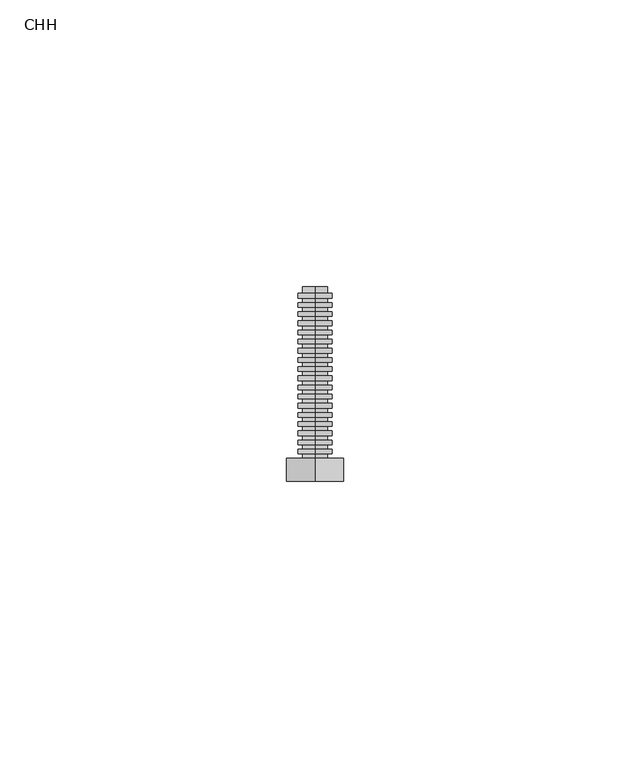
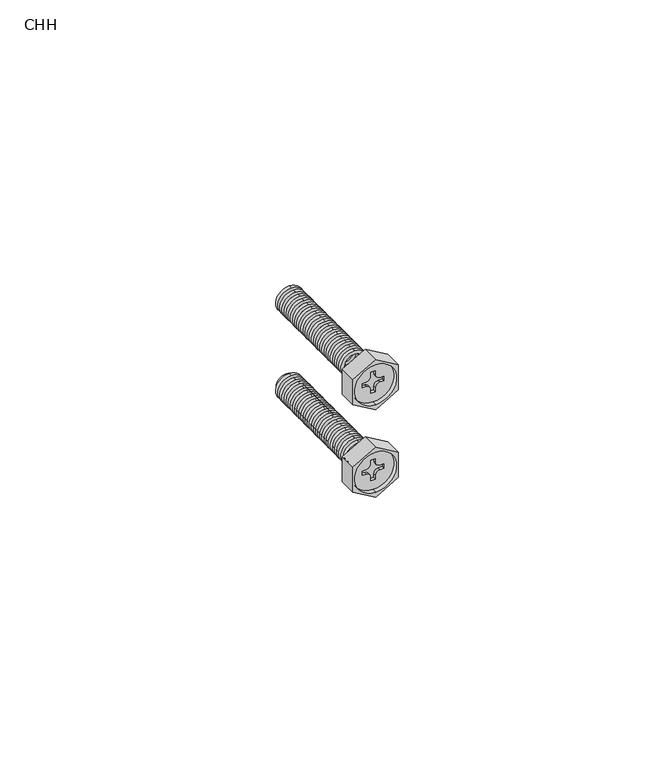
"""IFC4 building model written with IfcOpenShell, lengths in millimetres: proxy geometry, CHH."""

from ifc_helpers import new_model, si_unit, point, frame, frame_2d, origin, place, context, project, spatial, polyline, circle_curve, trimmed, segment, composite_curve, outline, extrude, source, transform, mapped, element, save
from ifc_brep_helpers import plane_surface, cylinder_surface, revolved_surface, advanced_brep


def chh_6e1695ec(model_context):
    return source(origin(), model_context, "Body", "SolidModel", [
        extrude(outline(composite_curve([segment(trimmed(circle_curve(frame_2d((10.0, -6.6758119)), 3.0), [point((13.0, -6.6758119))], [point((7.0, -6.6758119))], False, "CARTESIAN"), True, "CONTINUOUS"), segment(trimmed(circle_curve(frame_2d((10.0, -6.6758119)), 3.0), [point((7.0, -6.6758119))], [point((13.0, -6.6758119))], False, "CARTESIAN"), True, "CONTINUOUS")], self_intersect=False), holes=[composite_curve([segment(trimmed(circle_curve(frame_2d((10.0, -6.6758119)), 2.2), [point((12.2, -6.6758119))], [point((7.8, -6.6758119))], True, "CARTESIAN"), True, "CONTINUOUS"), segment(trimmed(circle_curve(frame_2d((10.0, -6.6758119)), 2.2), [point((7.8, -6.6758119))], [point((12.2, -6.6758119))], True, "CARTESIAN"), True, "CONTINUOUS")], self_intersect=False)]), frame((0.0, -7.7, 0.0), z_axis=(0.0, 1.0, 0.0), x_axis=(0.0, 0.0, 1.0)), (0.0, 0.0, 1.0), 0.8),
        extrude(outline(composite_curve([segment(trimmed(circle_curve(frame_2d((10.0, -6.6758119)), 3.0), [point((13.0, -6.6758119))], [point((7.0, -6.6758119))], False, "CARTESIAN"), True, "CONTINUOUS"), segment(trimmed(circle_curve(frame_2d((10.0, -6.6758119)), 3.0), [point((7.0, -6.6758119))], [point((13.0, -6.6758119))], False, "CARTESIAN"), True, "CONTINUOUS")], self_intersect=False), holes=[composite_curve([segment(trimmed(circle_curve(frame_2d((10.0, -6.6758119)), 2.2), [point((12.2, -6.6758119))], [point((7.8, -6.6758119))], True, "CARTESIAN"), True, "CONTINUOUS"), segment(trimmed(circle_curve(frame_2d((10.0, -6.6758119)), 2.2), [point((7.8, -6.6758119))], [point((12.2, -6.6758119))], True, "CARTESIAN"), True, "CONTINUOUS")], self_intersect=False)]), frame((0.0, -9.3, 0.0), z_axis=(0.0, 1.0, 0.0), x_axis=(0.0, 0.0, 1.0)), (0.0, 0.0, 1.0), 0.8),
        extrude(outline(composite_curve([segment(trimmed(circle_curve(frame_2d((10.0, -6.6758119)), 3.0), [point((13.0, -6.6758119))], [point((7.0, -6.6758119))], False, "CARTESIAN"), True, "CONTINUOUS"), segment(trimmed(circle_curve(frame_2d((10.0, -6.6758119)), 3.0), [point((7.0, -6.6758119))], [point((13.0, -6.6758119))], False, "CARTESIAN"), True, "CONTINUOUS")], self_intersect=False), holes=[composite_curve([segment(trimmed(circle_curve(frame_2d((10.0, -6.6758119)), 2.2), [point((12.2, -6.6758119))], [point((7.8, -6.6758119))], True, "CARTESIAN"), True, "CONTINUOUS"), segment(trimmed(circle_curve(frame_2d((10.0, -6.6758119)), 2.2), [point((7.8, -6.6758119))], [point((12.2, -6.6758119))], True, "CARTESIAN"), True, "CONTINUOUS")], self_intersect=False)]), frame((0.0, -10.9, 0.0), z_axis=(0.0, 1.0, 0.0), x_axis=(0.0, 0.0, 1.0)), (0.0, 0.0, 1.0), 0.8),
        extrude(outline(composite_curve([segment(trimmed(circle_curve(frame_2d((10.0, -6.6758119)), 3.0), [point((13.0, -6.6758119))], [point((7.0, -6.6758119))], False, "CARTESIAN"), True, "CONTINUOUS"), segment(trimmed(circle_curve(frame_2d((10.0, -6.6758119)), 3.0), [point((7.0, -6.6758119))], [point((13.0, -6.6758119))], False, "CARTESIAN"), True, "CONTINUOUS")], self_intersect=False), holes=[composite_curve([segment(trimmed(circle_curve(frame_2d((10.0, -6.6758119)), 2.2), [point((12.2, -6.6758119))], [point((7.8, -6.6758119))], True, "CARTESIAN"), True, "CONTINUOUS"), segment(trimmed(circle_curve(frame_2d((10.0, -6.6758119)), 2.2), [point((7.8, -6.6758119))], [point((12.2, -6.6758119))], True, "CARTESIAN"), True, "CONTINUOUS")], self_intersect=False)]), frame((0.0, -12.5, 0.0), z_axis=(0.0, 1.0, 0.0), x_axis=(0.0, 0.0, 1.0)), (0.0, 0.0, 1.0), 0.8),
        extrude(outline(composite_curve([segment(trimmed(circle_curve(frame_2d((10.0, -6.6758119)), 3.0), [point((13.0, -6.6758119))], [point((7.0, -6.6758119))], False, "CARTESIAN"), True, "CONTINUOUS"), segment(trimmed(circle_curve(frame_2d((10.0, -6.6758119)), 3.0), [point((7.0, -6.6758119))], [point((13.0, -6.6758119))], False, "CARTESIAN"), True, "CONTINUOUS")], self_intersect=False), holes=[composite_curve([segment(trimmed(circle_curve(frame_2d((10.0, -6.6758119)), 2.2), [point((12.2, -6.6758119))], [point((7.8, -6.6758119))], True, "CARTESIAN"), True, "CONTINUOUS"), segment(trimmed(circle_curve(frame_2d((10.0, -6.6758119)), 2.2), [point((7.8, -6.6758119))], [point((12.2, -6.6758119))], True, "CARTESIAN"), True, "CONTINUOUS")], self_intersect=False)]), frame((0.0, -14.1, 0.0), z_axis=(0.0, 1.0, 0.0), x_axis=(0.0, 0.0, 1.0)), (0.0, 0.0, 1.0), 0.8),
        extrude(outline(composite_curve([segment(trimmed(circle_curve(frame_2d((10.0, -6.6758119)), 3.0), [point((13.0, -6.6758119))], [point((7.0, -6.6758119))], False, "CARTESIAN"), True, "CONTINUOUS"), segment(trimmed(circle_curve(frame_2d((10.0, -6.6758119)), 3.0), [point((7.0, -6.6758119))], [point((13.0, -6.6758119))], False, "CARTESIAN"), True, "CONTINUOUS")], self_intersect=False), holes=[composite_curve([segment(trimmed(circle_curve(frame_2d((10.0, -6.6758119)), 2.2), [point((12.2, -6.6758119))], [point((7.8, -6.6758119))], True, "CARTESIAN"), True, "CONTINUOUS"), segment(trimmed(circle_curve(frame_2d((10.0, -6.6758119)), 2.2), [point((7.8, -6.6758119))], [point((12.2, -6.6758119))], True, "CARTESIAN"), True, "CONTINUOUS")], self_intersect=False)]), frame((0.0, -15.7, 0.0), z_axis=(0.0, 1.0, 0.0), x_axis=(0.0, 0.0, 1.0)), (0.0, 0.0, 1.0), 0.8),
        extrude(outline(composite_curve([segment(trimmed(circle_curve(frame_2d((10.0, -6.6758119)), 3.0), [point((13.0, -6.6758119))], [point((7.0, -6.6758119))], False, "CARTESIAN"), True, "CONTINUOUS"), segment(trimmed(circle_curve(frame_2d((10.0, -6.6758119)), 3.0), [point((7.0, -6.6758119))], [point((13.0, -6.6758119))], False, "CARTESIAN"), True, "CONTINUOUS")], self_intersect=False), holes=[composite_curve([segment(trimmed(circle_curve(frame_2d((10.0, -6.6758119)), 2.2), [point((12.2, -6.6758119))], [point((7.8, -6.6758119))], True, "CARTESIAN"), True, "CONTINUOUS"), segment(trimmed(circle_curve(frame_2d((10.0, -6.6758119)), 2.2), [point((7.8, -6.6758119))], [point((12.2, -6.6758119))], True, "CARTESIAN"), True, "CONTINUOUS")], self_intersect=False)]), frame((0.0, -17.3, 0.0), z_axis=(0.0, 1.0, 0.0), x_axis=(0.0, 0.0, 1.0)), (0.0, 0.0, 1.0), 0.8),
        extrude(outline(composite_curve([segment(trimmed(circle_curve(frame_2d((10.0, -6.6758119)), 3.0), [point((13.0, -6.6758119))], [point((7.0, -6.6758119))], False, "CARTESIAN"), True, "CONTINUOUS"), segment(trimmed(circle_curve(frame_2d((10.0, -6.6758119)), 3.0), [point((7.0, -6.6758119))], [point((13.0, -6.6758119))], False, "CARTESIAN"), True, "CONTINUOUS")], self_intersect=False), holes=[composite_curve([segment(trimmed(circle_curve(frame_2d((10.0, -6.6758119)), 2.2), [point((12.2, -6.6758119))], [point((7.8, -6.6758119))], True, "CARTESIAN"), True, "CONTINUOUS"), segment(trimmed(circle_curve(frame_2d((10.0, -6.6758119)), 2.2), [point((7.8, -6.6758119))], [point((12.2, -6.6758119))], True, "CARTESIAN"), True, "CONTINUOUS")], self_intersect=False)]), frame((0.0, -18.9, 0.0), z_axis=(0.0, 1.0, 0.0), x_axis=(0.0, 0.0, 1.0)), (0.0, 0.0, 1.0), 0.8),
        extrude(outline(composite_curve([segment(trimmed(circle_curve(frame_2d((10.0, -6.6758119)), 3.0), [point((13.0, -6.6758119))], [point((7.0, -6.6758119))], False, "CARTESIAN"), True, "CONTINUOUS"), segment(trimmed(circle_curve(frame_2d((10.0, -6.6758119)), 3.0), [point((7.0, -6.6758119))], [point((13.0, -6.6758119))], False, "CARTESIAN"), True, "CONTINUOUS")], self_intersect=False), holes=[composite_curve([segment(trimmed(circle_curve(frame_2d((10.0, -6.6758119)), 2.2), [point((12.2, -6.6758119))], [point((7.8, -6.6758119))], True, "CARTESIAN"), True, "CONTINUOUS"), segment(trimmed(circle_curve(frame_2d((10.0, -6.6758119)), 2.2), [point((7.8, -6.6758119))], [point((12.2, -6.6758119))], True, "CARTESIAN"), True, "CONTINUOUS")], self_intersect=False)]), frame((0.0, -20.5, 0.0), z_axis=(0.0, 1.0, 0.0), x_axis=(0.0, 0.0, 1.0)), (0.0, 0.0, 1.0), 0.8),
        extrude(outline(composite_curve([segment(trimmed(circle_curve(frame_2d((10.0, -6.6758119)), 3.0), [point((13.0, -6.6758119))], [point((7.0, -6.6758119))], False, "CARTESIAN"), True, "CONTINUOUS"), segment(trimmed(circle_curve(frame_2d((10.0, -6.6758119)), 3.0), [point((7.0, -6.6758119))], [point((13.0, -6.6758119))], False, "CARTESIAN"), True, "CONTINUOUS")], self_intersect=False), holes=[composite_curve([segment(trimmed(circle_curve(frame_2d((10.0, -6.6758119)), 2.2), [point((12.2, -6.6758119))], [point((7.8, -6.6758119))], True, "CARTESIAN"), True, "CONTINUOUS"), segment(trimmed(circle_curve(frame_2d((10.0, -6.6758119)), 2.2), [point((7.8, -6.6758119))], [point((12.2, -6.6758119))], True, "CARTESIAN"), True, "CONTINUOUS")], self_intersect=False)]), frame((0.0, -22.1, 0.0), z_axis=(0.0, 1.0, 0.0), x_axis=(0.0, 0.0, 1.0)), (0.0, 0.0, 1.0), 0.8),
        extrude(outline(composite_curve([segment(trimmed(circle_curve(frame_2d((10.0, -6.6758119)), 3.0), [point((13.0, -6.6758119))], [point((7.0, -6.6758119))], False, "CARTESIAN"), True, "CONTINUOUS"), segment(trimmed(circle_curve(frame_2d((10.0, -6.6758119)), 3.0), [point((7.0, -6.6758119))], [point((13.0, -6.6758119))], False, "CARTESIAN"), True, "CONTINUOUS")], self_intersect=False), holes=[composite_curve([segment(trimmed(circle_curve(frame_2d((10.0, -6.6758119)), 2.2), [point((12.2, -6.6758119))], [point((7.8, -6.6758119))], True, "CARTESIAN"), True, "CONTINUOUS"), segment(trimmed(circle_curve(frame_2d((10.0, -6.6758119)), 2.2), [point((7.8, -6.6758119))], [point((12.2, -6.6758119))], True, "CARTESIAN"), True, "CONTINUOUS")], self_intersect=False)]), frame((0.0, -23.7, 0.0), z_axis=(0.0, 1.0, 0.0), x_axis=(0.0, 0.0, 1.0)), (0.0, 0.0, 1.0), 0.8),
        extrude(outline(composite_curve([segment(trimmed(circle_curve(frame_2d((10.0, -6.6758119)), 3.0), [point((13.0, -6.6758119))], [point((7.0, -6.6758119))], False, "CARTESIAN"), True, "CONTINUOUS"), segment(trimmed(circle_curve(frame_2d((10.0, -6.6758119)), 3.0), [point((7.0, -6.6758119))], [point((13.0, -6.6758119))], False, "CARTESIAN"), True, "CONTINUOUS")], self_intersect=False), holes=[composite_curve([segment(trimmed(circle_curve(frame_2d((10.0, -6.6758119)), 2.2), [point((12.2, -6.6758119))], [point((7.8, -6.6758119))], True, "CARTESIAN"), True, "CONTINUOUS"), segment(trimmed(circle_curve(frame_2d((10.0, -6.6758119)), 2.2), [point((7.8, -6.6758119))], [point((12.2, -6.6758119))], True, "CARTESIAN"), True, "CONTINUOUS")], self_intersect=False)]), frame((0.0, -25.3, 0.0), z_axis=(0.0, 1.0, 0.0), x_axis=(0.0, 0.0, 1.0)), (0.0, 0.0, 1.0), 0.8),
        extrude(outline(composite_curve([segment(trimmed(circle_curve(frame_2d((10.0, -6.6758119)), 3.0), [point((13.0, -6.6758119))], [point((7.0, -6.6758119))], False, "CARTESIAN"), True, "CONTINUOUS"), segment(trimmed(circle_curve(frame_2d((10.0, -6.6758119)), 3.0), [point((7.0, -6.6758119))], [point((13.0, -6.6758119))], False, "CARTESIAN"), True, "CONTINUOUS")], self_intersect=False), holes=[composite_curve([segment(trimmed(circle_curve(frame_2d((10.0, -6.6758119)), 2.2), [point((12.2, -6.6758119))], [point((7.8, -6.6758119))], True, "CARTESIAN"), True, "CONTINUOUS"), segment(trimmed(circle_curve(frame_2d((10.0, -6.6758119)), 2.2), [point((7.8, -6.6758119))], [point((12.2, -6.6758119))], True, "CARTESIAN"), True, "CONTINUOUS")], self_intersect=False)]), frame((0.0, -26.9, 0.0), z_axis=(0.0, 1.0, 0.0), x_axis=(0.0, 0.0, 1.0)), (0.0, 0.0, 1.0), 0.8),
        advanced_brep(
        [(-6.6760471, -38.7, 14.6), (-6.6760471, -38.7, 5.4), (-6.1760471, -38.7, 11.5), (-5.1760471, -38.7, 10.5), (-4.2760471, -38.7, 10.5), (-4.2760471, -38.7, 9.5), (-5.1760471, -38.7, 9.5), (-6.1760471, -38.7, 8.5), (-6.1760471, -38.7, 7.6), (-7.1760471, -38.7, 7.6), (-7.1760471, -38.7, 8.5), (-8.1760471, -38.7, 9.5), (-9.0760471, -38.7, 9.5), (-9.0760471, -38.7, 10.5), (-8.1760471, -38.7, 10.5), (-7.1760471, -38.7, 11.5), (-7.1760471, -38.7, 12.4), (-6.1760471, -38.7, 12.4), (-6.6760471, -39.7, 14.6), (-6.6760471, -39.7, 5.4), (-6.6758119, -39.7, 15.7735027), (-11.6758119, -39.7, 12.8867513), (-11.6758119, -39.7, 7.1132487), (-6.6758119, -39.7, 4.2264973), (-1.6758119, -39.7, 7.1132487), (-1.6758119, -39.7, 12.8867513), (-6.6758119, -35.7, 15.7735027), (-1.6758119, -35.7, 12.8867513), (-1.6758119, -35.7, 7.1132487), (-6.6758119, -35.7, 4.2264973), (-11.6758119, -35.7, 7.1132487), (-11.6758119, -35.7, 12.8867513), (-5.1760471, -38.0, 10.5), (-6.1760471, -38.0, 11.5), (-6.1760471, -38.0, 12.4), (-7.1760471, -38.0, 12.4), (-7.1760471, -38.0, 11.5), (-8.1760471, -38.0, 10.5), (-9.0760471, -38.0, 10.5), (-9.0760471, -38.0, 9.5), (-8.1760471, -38.0, 9.5), (-7.1760471, -38.0, 8.5), (-7.1760471, -38.0, 7.6), (-6.1760471, -38.0, 7.6), (-6.1760471, -38.0, 8.5), (-5.1760471, -38.0, 9.5), (-4.2760471, -38.0, 9.5), (-4.2760471, -38.0, 10.5)],
        [
            (0, 1, circle_curve(frame((-6.6760471, -38.7, 10.0), z_axis=(0.0, -1.0, 0.0), x_axis=(0.0, 0.0, -1.0)), 4.6)),
            (1, 0, circle_curve(frame((-6.6760471, -38.7, 10.0), z_axis=(0.0, -1.0, 0.0), x_axis=(0.0, 0.0, -1.0)), 4.6)),
            (2, 3, circle_curve(frame((-5.1760471, -38.7, 11.5), z_axis=(0.0, -1.0, 0.0), x_axis=(0.0, 0.0, -1.0)), 1.0)),
            (3, 4),
            (4, 5),
            (5, 6),
            (6, 7, circle_curve(frame((-5.1760471, -38.7, 8.5), z_axis=(0.0, -1.0, 0.0), x_axis=(0.0, 0.0, -1.0)), 1.0)),
            (7, 8),
            (8, 9),
            (9, 10),
            (10, 11, circle_curve(frame((-8.1760471, -38.7, 8.5), z_axis=(0.0, -1.0, 0.0), x_axis=(0.0, 0.0, -1.0)), 1.0)),
            (11, 12),
            (12, 13),
            (13, 14),
            (14, 15, circle_curve(frame((-8.1760471, -38.7, 11.5), z_axis=(0.0, -1.0, 0.0), x_axis=(0.0, 0.0, -1.0)), 1.0)),
            (15, 16),
            (16, 17),
            (17, 2),
            (0, 18),
            (18, 19, circle_curve(frame((-6.6760471, -39.7, 10.0), z_axis=(0.0, -1.0, 0.0), x_axis=(0.0, 0.0, -1.0)), 4.6)),
            (19, 1),
            (19, 18, circle_curve(frame((-6.6760471, -39.7, 10.0), z_axis=(0.0, -1.0, 0.0), x_axis=(0.0, 0.0, -1.0)), 4.6)),
            (20, 21),
            (21, 22),
            (22, 23),
            (23, 24),
            (24, 25),
            (25, 20),
            (26, 27),
            (27, 28),
            (28, 29),
            (29, 30),
            (30, 31),
            (31, 26),
            (32, 33, circle_curve(frame((-5.1760471, -38.0, 11.5), z_axis=(0.0, 1.0, 0.0), x_axis=(0.0, 0.0, -1.0)), 1.0)),
            (33, 34),
            (34, 35),
            (35, 36),
            (36, 37, circle_curve(frame((-8.1760471, -38.0, 11.5), z_axis=(0.0, 1.0, 0.0), x_axis=(0.0, 0.0, -1.0)), 1.0)),
            (37, 38),
            (38, 39),
            (39, 40),
            (40, 41, circle_curve(frame((-8.1760471, -38.0, 8.5), z_axis=(0.0, 1.0, 0.0), x_axis=(0.0, 0.0, -1.0)), 1.0)),
            (41, 42),
            (42, 43),
            (43, 44),
            (44, 45, circle_curve(frame((-5.1760471, -38.0, 8.5), z_axis=(0.0, 1.0, 0.0), x_axis=(0.0, 0.0, -1.0)), 1.0)),
            (45, 46),
            (46, 47),
            (47, 32),
            (32, 3),
            (2, 33),
            (17, 34),
            (16, 35),
            (15, 36),
            (14, 37),
            (13, 38),
            (12, 39),
            (11, 40),
            (10, 41),
            (9, 42),
            (8, 43),
            (7, 44),
            (6, 45),
            (5, 46),
            (4, 47),
            (20, 26),
            (31, 21),
            (30, 22),
            (29, 23),
            (28, 24),
            (27, 25),
        ],
        [
            plane_surface(frame((-6.6760471, -38.7, 5.4), z_axis=(0.0, -1.0, 0.0), x_axis=(-1.0, 0.0, 0.0))),
            revolved_surface(polyline([(-6.6760471, -39.7, 5.4), (-6.6760471, -38.7, 5.4)]), (-6.6760471, -38.7, 10.0), (0.0, -1.0, 0.0)),
            plane_surface(frame((-6.6758119, -39.7, 15.7735027), z_axis=(0.0, -1.0, 0.0), x_axis=(-0.8660254037844402, 0.0, -0.4999999999999974))),
            plane_surface(frame((-6.6758119, -35.7, 15.7735027), z_axis=(0.0, 1.0, 0.0), x_axis=(0.8660254037844402, 0.0, 0.4999999999999974))),
            plane_surface(frame((-5.1760471, -38.0, 10.5), z_axis=(0.0, -1.0, 0.0), x_axis=(1.0, 0.0, 0.0))),
            cylinder_surface(frame((-5.1760471, -38.0, 11.5), z_axis=(0.0, 1.0, 0.0), x_axis=(0.0, 0.0, -1.0)), 1.0),
            plane_surface(frame((-6.1760471, -39.7, 11.5), z_axis=(-1.0, 0.0, 0.0), x_axis=(0.0, 1.0, 0.0))),
            plane_surface(frame((-6.1760471, -39.7, 12.4), z_axis=(0.0, 0.0, -1.0), x_axis=(0.0, 1.0, 0.0))),
            plane_surface(frame((-7.1760471, -39.7, 12.4), z_axis=(1.0, 0.0, 0.0), x_axis=(0.0, 1.0, 0.0))),
            cylinder_surface(frame((-8.1760471, -38.0, 11.5), z_axis=(0.0, 1.0, 0.0), x_axis=(0.0, 0.0, -1.0)), 1.0),
            plane_surface(frame((-8.1760471, -39.7, 10.5), z_axis=(0.0, 0.0, -1.0), x_axis=(0.0, 1.0, 0.0))),
            plane_surface(frame((-9.0760471, -39.7, 10.5), z_axis=(1.0, 0.0, 0.0), x_axis=(0.0, 1.0, 0.0))),
            plane_surface(frame((-9.0760471, -39.7, 9.5), z_axis=(0.0, 0.0, 1.0), x_axis=(0.0, 1.0, 0.0))),
            cylinder_surface(frame((-8.1760471, -38.0, 8.5), z_axis=(0.0, 1.0, 0.0), x_axis=(0.0, 0.0, -1.0)), 1.0),
            plane_surface(frame((-7.1760471, -39.7, 8.5), z_axis=(1.0, 0.0, 0.0), x_axis=(0.0, 1.0, 0.0))),
            plane_surface(frame((-7.1760471, -39.7, 7.6), z_axis=(0.0, 0.0, 1.0), x_axis=(0.0, 1.0, 0.0))),
            plane_surface(frame((-6.1760471, -39.7, 7.6), z_axis=(-1.0, 0.0, 0.0), x_axis=(0.0, 1.0, 0.0))),
            cylinder_surface(frame((-5.1760471, -38.0, 8.5), z_axis=(0.0, 1.0, 0.0), x_axis=(0.0, 0.0, -1.0)), 1.0),
            plane_surface(frame((-5.1760471, -39.7, 9.5), z_axis=(0.0, 0.0, 1.0), x_axis=(0.0, 1.0, 0.0))),
            plane_surface(frame((-4.2760471, -39.7, 9.5), z_axis=(-1.0, 0.0, 0.0), x_axis=(0.0, 1.0, 0.0))),
            plane_surface(frame((-4.2760471, -39.7, 10.5), z_axis=(0.0, 0.0, -1.0), x_axis=(0.0, 1.0, 0.0))),
            plane_surface(frame((-6.6758119, -39.7, 15.7735027), z_axis=(-0.4999999999999974, 0.0, 0.8660254037844402), x_axis=(0.0, 1.0, 0.0))),
            plane_surface(frame((-11.6758119, -39.7, 12.8867513), z_axis=(-1.0, 0.0, 0.0), x_axis=(0.0, 1.0, 0.0))),
            plane_surface(frame((-11.6758119, -39.7, 7.1132487), z_axis=(-0.5000000000000043, 0.0, -0.8660254037844363), x_axis=(0.0, 1.0, 0.0))),
            plane_surface(frame((-6.6758119, -39.7, 4.2264973), z_axis=(0.4999999999999948, 0.0, -0.8660254037844417), x_axis=(0.0, 1.0, 0.0))),
            plane_surface(frame((-1.6758119, -39.7, 7.1132487), z_axis=(1.0, 0.0, 0.0), x_axis=(0.0, 1.0, 0.0))),
            plane_surface(frame((-1.6758119, -39.7, 12.8867513), z_axis=(0.5000000000000017, 0.0, 0.8660254037844377), x_axis=(0.0, 1.0, 0.0))),
        ],
        [
            (0, [[1, 2], [3, 4, 5, 6, 7, 8, 9, 10, 11, 12, 13, 14, 15, 16, 17, 18]]),
            (1, [[-1, 19, 20, 21]]),
            (1, [[-2, -21, 22, -19]]),
            (2, [[23, 24, 25, 26, 27, 28], [-20, -22]]),
            (3, [[29, 30, 31, 32, 33, 34]]),
            (4, [[35, 36, 37, 38, 39, 40, 41, 42, 43, 44, 45, 46, 47, 48, 49, 50]]),
            (5, [[-35, 51, -3, 52]]),
            (6, [[-36, -52, -18, 53]]),
            (7, [[-37, -53, -17, 54]]),
            (8, [[-38, -54, -16, 55]]),
            (9, [[-39, -55, -15, 56]]),
            (10, [[-40, -56, -14, 57]]),
            (11, [[-41, -57, -13, 58]]),
            (12, [[-42, -58, -12, 59]]),
            (13, [[-43, -59, -11, 60]]),
            (14, [[-44, -60, -10, 61]]),
            (15, [[-45, -61, -9, 62]]),
            (16, [[-46, -62, -8, 63]]),
            (17, [[-47, -63, -7, 64]]),
            (18, [[-48, -64, -6, 65]]),
            (19, [[-49, -65, -5, 66]]),
            (20, [[-50, -66, -4, -51]]),
            (21, [[-23, 67, -34, 68]]),
            (22, [[-24, -68, -33, 69]]),
            (23, [[-25, -69, -32, 70]]),
            (24, [[-26, -70, -31, 71]]),
            (25, [[-27, -71, -30, 72]]),
            (26, [[-28, -72, -29, -67]]),
        ],
    ),
        extrude(outline(composite_curve([segment(trimmed(circle_curve(frame_2d((10.0, -6.6758119)), 3.0), [point((13.0, -6.6758119))], [point((7.0, -6.6758119))], False, "CARTESIAN"), True, "CONTINUOUS"), segment(trimmed(circle_curve(frame_2d((10.0, -6.6758119)), 3.0), [point((7.0, -6.6758119))], [point((13.0, -6.6758119))], False, "CARTESIAN"), True, "CONTINUOUS")], self_intersect=False), holes=[composite_curve([segment(trimmed(circle_curve(frame_2d((10.0, -6.6758119)), 2.2), [point((12.2, -6.6758119))], [point((7.8, -6.6758119))], True, "CARTESIAN"), True, "CONTINUOUS"), segment(trimmed(circle_curve(frame_2d((10.0, -6.6758119)), 2.2), [point((7.8, -6.6758119))], [point((12.2, -6.6758119))], True, "CARTESIAN"), True, "CONTINUOUS")], self_intersect=False)]), frame((0.0, -28.5, 0.0), z_axis=(0.0, 1.0, 0.0), x_axis=(0.0, 0.0, 1.0)), (0.0, 0.0, 1.0), 0.8),
        extrude(outline(composite_curve([segment(trimmed(circle_curve(frame_2d((10.0, -6.6758119)), 3.0), [point((13.0, -6.6758119))], [point((7.0, -6.6758119))], False, "CARTESIAN"), True, "CONTINUOUS"), segment(trimmed(circle_curve(frame_2d((10.0, -6.6758119)), 3.0), [point((7.0, -6.6758119))], [point((13.0, -6.6758119))], False, "CARTESIAN"), True, "CONTINUOUS")], self_intersect=False), holes=[composite_curve([segment(trimmed(circle_curve(frame_2d((10.0, -6.6758119)), 2.2), [point((12.2, -6.6758119))], [point((7.8, -6.6758119))], True, "CARTESIAN"), True, "CONTINUOUS"), segment(trimmed(circle_curve(frame_2d((10.0, -6.6758119)), 2.2), [point((7.8, -6.6758119))], [point((12.2, -6.6758119))], True, "CARTESIAN"), True, "CONTINUOUS")], self_intersect=False)]), frame((0.0, -30.1, 0.0), z_axis=(0.0, 1.0, 0.0), x_axis=(0.0, 0.0, 1.0)), (0.0, 0.0, 1.0), 0.8),
        extrude(outline(composite_curve([segment(trimmed(circle_curve(frame_2d((10.0, -6.6758119)), 3.0), [point((13.0, -6.6758119))], [point((7.0, -6.6758119))], False, "CARTESIAN"), True, "CONTINUOUS"), segment(trimmed(circle_curve(frame_2d((10.0, -6.6758119)), 3.0), [point((7.0, -6.6758119))], [point((13.0, -6.6758119))], False, "CARTESIAN"), True, "CONTINUOUS")], self_intersect=False), holes=[composite_curve([segment(trimmed(circle_curve(frame_2d((10.0, -6.6758119)), 2.2), [point((12.2, -6.6758119))], [point((7.8, -6.6758119))], True, "CARTESIAN"), True, "CONTINUOUS"), segment(trimmed(circle_curve(frame_2d((10.0, -6.6758119)), 2.2), [point((7.8, -6.6758119))], [point((12.2, -6.6758119))], True, "CARTESIAN"), True, "CONTINUOUS")], self_intersect=False)]), frame((0.0, -31.7, 0.0), z_axis=(0.0, 1.0, 0.0), x_axis=(0.0, 0.0, 1.0)), (0.0, 0.0, 1.0), 0.8),
        extrude(outline(composite_curve([segment(trimmed(circle_curve(frame_2d((10.0, -6.6758119)), 3.0), [point((13.0, -6.6758119))], [point((7.0, -6.6758119))], False, "CARTESIAN"), True, "CONTINUOUS"), segment(trimmed(circle_curve(frame_2d((10.0, -6.6758119)), 3.0), [point((7.0, -6.6758119))], [point((13.0, -6.6758119))], False, "CARTESIAN"), True, "CONTINUOUS")], self_intersect=False), holes=[composite_curve([segment(trimmed(circle_curve(frame_2d((10.0, -6.6758119)), 2.2), [point((12.2, -6.6758119))], [point((7.8, -6.6758119))], True, "CARTESIAN"), True, "CONTINUOUS"), segment(trimmed(circle_curve(frame_2d((10.0, -6.6758119)), 2.2), [point((7.8, -6.6758119))], [point((12.2, -6.6758119))], True, "CARTESIAN"), True, "CONTINUOUS")], self_intersect=False)]), frame((0.0, -33.3, 0.0), z_axis=(0.0, 1.0, 0.0), x_axis=(0.0, 0.0, 1.0)), (0.0, 0.0, 1.0), 0.8),
        extrude(outline(composite_curve([segment(trimmed(circle_curve(frame_2d((10.0, -6.6758119)), 3.0), [point((13.0, -6.6758119))], [point((7.0, -6.6758119))], False, "CARTESIAN"), True, "CONTINUOUS"), segment(trimmed(circle_curve(frame_2d((10.0, -6.6758119)), 3.0), [point((7.0, -6.6758119))], [point((13.0, -6.6758119))], False, "CARTESIAN"), True, "CONTINUOUS")], self_intersect=False), holes=[composite_curve([segment(trimmed(circle_curve(frame_2d((10.0, -6.6758119)), 2.2), [point((12.2, -6.6758119))], [point((7.8, -6.6758119))], True, "CARTESIAN"), True, "CONTINUOUS"), segment(trimmed(circle_curve(frame_2d((10.0, -6.6758119)), 2.2), [point((7.8, -6.6758119))], [point((12.2, -6.6758119))], True, "CARTESIAN"), True, "CONTINUOUS")], self_intersect=False)]), frame((0.0, -34.9, 0.0), z_axis=(0.0, 1.0, 0.0), x_axis=(0.0, 0.0, 1.0)), (0.0, 0.0, 1.0), 0.8),
        extrude(outline(composite_curve([segment(trimmed(circle_curve(frame_2d((10.0, -6.6758119)), 2.2), [point((12.2, -6.6758119))], [point((7.8, -6.6758119))], False, "CARTESIAN"), True, "CONTINUOUS"), segment(trimmed(circle_curve(frame_2d((10.0, -6.6758119)), 2.2), [point((7.8, -6.6758119))], [point((12.2, -6.6758119))], False, "CARTESIAN"), True, "CONTINUOUS")], self_intersect=False)), frame((0.0, -35.7, 0.0), z_axis=(0.0, 1.0, 0.0), x_axis=(0.0, 0.0, 1.0)), (0.0, 0.0, 1.0), 30.0),
        extrude(outline(composite_curve([segment(trimmed(circle_curve(frame_2d((30.3, -6.6758119)), 3.0), [point((33.3, -6.6758119))], [point((27.3, -6.6758119))], False, "CARTESIAN"), True, "CONTINUOUS"), segment(trimmed(circle_curve(frame_2d((30.3, -6.6758119)), 3.0), [point((27.3, -6.6758119))], [point((33.3, -6.6758119))], False, "CARTESIAN"), True, "CONTINUOUS")], self_intersect=False), holes=[composite_curve([segment(trimmed(circle_curve(frame_2d((30.3, -6.6758119)), 2.2), [point((32.5, -6.6758119))], [point((28.1, -6.6758119))], True, "CARTESIAN"), True, "CONTINUOUS"), segment(trimmed(circle_curve(frame_2d((30.3, -6.6758119)), 2.2), [point((28.1, -6.6758119))], [point((32.5, -6.6758119))], True, "CARTESIAN"), True, "CONTINUOUS")], self_intersect=False)]), frame((0.0, -7.7, 0.0), z_axis=(0.0, 1.0, 0.0), x_axis=(0.0, 0.0, 1.0)), (0.0, 0.0, 1.0), 0.8),
        extrude(outline(composite_curve([segment(trimmed(circle_curve(frame_2d((30.3, -6.6758119)), 3.0), [point((33.3, -6.6758119))], [point((27.3, -6.6758119))], False, "CARTESIAN"), True, "CONTINUOUS"), segment(trimmed(circle_curve(frame_2d((30.3, -6.6758119)), 3.0), [point((27.3, -6.6758119))], [point((33.3, -6.6758119))], False, "CARTESIAN"), True, "CONTINUOUS")], self_intersect=False), holes=[composite_curve([segment(trimmed(circle_curve(frame_2d((30.3, -6.6758119)), 2.2), [point((32.5, -6.6758119))], [point((28.1, -6.6758119))], True, "CARTESIAN"), True, "CONTINUOUS"), segment(trimmed(circle_curve(frame_2d((30.3, -6.6758119)), 2.2), [point((28.1, -6.6758119))], [point((32.5, -6.6758119))], True, "CARTESIAN"), True, "CONTINUOUS")], self_intersect=False)]), frame((0.0, -9.3, 0.0), z_axis=(0.0, 1.0, 0.0), x_axis=(0.0, 0.0, 1.0)), (0.0, 0.0, 1.0), 0.8),
        extrude(outline(composite_curve([segment(trimmed(circle_curve(frame_2d((30.3, -6.6758119)), 3.0), [point((33.3, -6.6758119))], [point((27.3, -6.6758119))], False, "CARTESIAN"), True, "CONTINUOUS"), segment(trimmed(circle_curve(frame_2d((30.3, -6.6758119)), 3.0), [point((27.3, -6.6758119))], [point((33.3, -6.6758119))], False, "CARTESIAN"), True, "CONTINUOUS")], self_intersect=False), holes=[composite_curve([segment(trimmed(circle_curve(frame_2d((30.3, -6.6758119)), 2.2), [point((32.5, -6.6758119))], [point((28.1, -6.6758119))], True, "CARTESIAN"), True, "CONTINUOUS"), segment(trimmed(circle_curve(frame_2d((30.3, -6.6758119)), 2.2), [point((28.1, -6.6758119))], [point((32.5, -6.6758119))], True, "CARTESIAN"), True, "CONTINUOUS")], self_intersect=False)]), frame((0.0, -10.9, 0.0), z_axis=(0.0, 1.0, 0.0), x_axis=(0.0, 0.0, 1.0)), (0.0, 0.0, 1.0), 0.8),
        extrude(outline(composite_curve([segment(trimmed(circle_curve(frame_2d((30.3, -6.6758119)), 3.0), [point((33.3, -6.6758119))], [point((27.3, -6.6758119))], False, "CARTESIAN"), True, "CONTINUOUS"), segment(trimmed(circle_curve(frame_2d((30.3, -6.6758119)), 3.0), [point((27.3, -6.6758119))], [point((33.3, -6.6758119))], False, "CARTESIAN"), True, "CONTINUOUS")], self_intersect=False), holes=[composite_curve([segment(trimmed(circle_curve(frame_2d((30.3, -6.6758119)), 2.2), [point((32.5, -6.6758119))], [point((28.1, -6.6758119))], True, "CARTESIAN"), True, "CONTINUOUS"), segment(trimmed(circle_curve(frame_2d((30.3, -6.6758119)), 2.2), [point((28.1, -6.6758119))], [point((32.5, -6.6758119))], True, "CARTESIAN"), True, "CONTINUOUS")], self_intersect=False)]), frame((0.0, -12.5, 0.0), z_axis=(0.0, 1.0, 0.0), x_axis=(0.0, 0.0, 1.0)), (0.0, 0.0, 1.0), 0.8),
        extrude(outline(composite_curve([segment(trimmed(circle_curve(frame_2d((30.3, -6.6758119)), 3.0), [point((33.3, -6.6758119))], [point((27.3, -6.6758119))], False, "CARTESIAN"), True, "CONTINUOUS"), segment(trimmed(circle_curve(frame_2d((30.3, -6.6758119)), 3.0), [point((27.3, -6.6758119))], [point((33.3, -6.6758119))], False, "CARTESIAN"), True, "CONTINUOUS")], self_intersect=False), holes=[composite_curve([segment(trimmed(circle_curve(frame_2d((30.3, -6.6758119)), 2.2), [point((32.5, -6.6758119))], [point((28.1, -6.6758119))], True, "CARTESIAN"), True, "CONTINUOUS"), segment(trimmed(circle_curve(frame_2d((30.3, -6.6758119)), 2.2), [point((28.1, -6.6758119))], [point((32.5, -6.6758119))], True, "CARTESIAN"), True, "CONTINUOUS")], self_intersect=False)]), frame((0.0, -14.1, 0.0), z_axis=(0.0, 1.0, 0.0), x_axis=(0.0, 0.0, 1.0)), (0.0, 0.0, 1.0), 0.8),
        extrude(outline(composite_curve([segment(trimmed(circle_curve(frame_2d((30.3, -6.6758119)), 3.0), [point((33.3, -6.6758119))], [point((27.3, -6.6758119))], False, "CARTESIAN"), True, "CONTINUOUS"), segment(trimmed(circle_curve(frame_2d((30.3, -6.6758119)), 3.0), [point((27.3, -6.6758119))], [point((33.3, -6.6758119))], False, "CARTESIAN"), True, "CONTINUOUS")], self_intersect=False), holes=[composite_curve([segment(trimmed(circle_curve(frame_2d((30.3, -6.6758119)), 2.2), [point((32.5, -6.6758119))], [point((28.1, -6.6758119))], True, "CARTESIAN"), True, "CONTINUOUS"), segment(trimmed(circle_curve(frame_2d((30.3, -6.6758119)), 2.2), [point((28.1, -6.6758119))], [point((32.5, -6.6758119))], True, "CARTESIAN"), True, "CONTINUOUS")], self_intersect=False)]), frame((0.0, -15.7, 0.0), z_axis=(0.0, 1.0, 0.0), x_axis=(0.0, 0.0, 1.0)), (0.0, 0.0, 1.0), 0.8),
        extrude(outline(composite_curve([segment(trimmed(circle_curve(frame_2d((30.3, -6.6758119)), 3.0), [point((33.3, -6.6758119))], [point((27.3, -6.6758119))], False, "CARTESIAN"), True, "CONTINUOUS"), segment(trimmed(circle_curve(frame_2d((30.3, -6.6758119)), 3.0), [point((27.3, -6.6758119))], [point((33.3, -6.6758119))], False, "CARTESIAN"), True, "CONTINUOUS")], self_intersect=False), holes=[composite_curve([segment(trimmed(circle_curve(frame_2d((30.3, -6.6758119)), 2.2), [point((32.5, -6.6758119))], [point((28.1, -6.6758119))], True, "CARTESIAN"), True, "CONTINUOUS"), segment(trimmed(circle_curve(frame_2d((30.3, -6.6758119)), 2.2), [point((28.1, -6.6758119))], [point((32.5, -6.6758119))], True, "CARTESIAN"), True, "CONTINUOUS")], self_intersect=False)]), frame((0.0, -17.3, 0.0), z_axis=(0.0, 1.0, 0.0), x_axis=(0.0, 0.0, 1.0)), (0.0, 0.0, 1.0), 0.8),
        extrude(outline(composite_curve([segment(trimmed(circle_curve(frame_2d((30.3, -6.6758119)), 3.0), [point((33.3, -6.6758119))], [point((27.3, -6.6758119))], False, "CARTESIAN"), True, "CONTINUOUS"), segment(trimmed(circle_curve(frame_2d((30.3, -6.6758119)), 3.0), [point((27.3, -6.6758119))], [point((33.3, -6.6758119))], False, "CARTESIAN"), True, "CONTINUOUS")], self_intersect=False), holes=[composite_curve([segment(trimmed(circle_curve(frame_2d((30.3, -6.6758119)), 2.2), [point((32.5, -6.6758119))], [point((28.1, -6.6758119))], True, "CARTESIAN"), True, "CONTINUOUS"), segment(trimmed(circle_curve(frame_2d((30.3, -6.6758119)), 2.2), [point((28.1, -6.6758119))], [point((32.5, -6.6758119))], True, "CARTESIAN"), True, "CONTINUOUS")], self_intersect=False)]), frame((0.0, -18.9, 0.0), z_axis=(0.0, 1.0, 0.0), x_axis=(0.0, 0.0, 1.0)), (0.0, 0.0, 1.0), 0.8),
        extrude(outline(composite_curve([segment(trimmed(circle_curve(frame_2d((30.3, -6.6758119)), 3.0), [point((33.3, -6.6758119))], [point((27.3, -6.6758119))], False, "CARTESIAN"), True, "CONTINUOUS"), segment(trimmed(circle_curve(frame_2d((30.3, -6.6758119)), 3.0), [point((27.3, -6.6758119))], [point((33.3, -6.6758119))], False, "CARTESIAN"), True, "CONTINUOUS")], self_intersect=False), holes=[composite_curve([segment(trimmed(circle_curve(frame_2d((30.3, -6.6758119)), 2.2), [point((32.5, -6.6758119))], [point((28.1, -6.6758119))], True, "CARTESIAN"), True, "CONTINUOUS"), segment(trimmed(circle_curve(frame_2d((30.3, -6.6758119)), 2.2), [point((28.1, -6.6758119))], [point((32.5, -6.6758119))], True, "CARTESIAN"), True, "CONTINUOUS")], self_intersect=False)]), frame((0.0, -20.5, 0.0), z_axis=(0.0, 1.0, 0.0), x_axis=(0.0, 0.0, 1.0)), (0.0, 0.0, 1.0), 0.8),
        extrude(outline(composite_curve([segment(trimmed(circle_curve(frame_2d((30.3, -6.6758119)), 3.0), [point((33.3, -6.6758119))], [point((27.3, -6.6758119))], False, "CARTESIAN"), True, "CONTINUOUS"), segment(trimmed(circle_curve(frame_2d((30.3, -6.6758119)), 3.0), [point((27.3, -6.6758119))], [point((33.3, -6.6758119))], False, "CARTESIAN"), True, "CONTINUOUS")], self_intersect=False), holes=[composite_curve([segment(trimmed(circle_curve(frame_2d((30.3, -6.6758119)), 2.2), [point((32.5, -6.6758119))], [point((28.1, -6.6758119))], True, "CARTESIAN"), True, "CONTINUOUS"), segment(trimmed(circle_curve(frame_2d((30.3, -6.6758119)), 2.2), [point((28.1, -6.6758119))], [point((32.5, -6.6758119))], True, "CARTESIAN"), True, "CONTINUOUS")], self_intersect=False)]), frame((0.0, -22.1, 0.0), z_axis=(0.0, 1.0, 0.0), x_axis=(0.0, 0.0, 1.0)), (0.0, 0.0, 1.0), 0.8),
        extrude(outline(composite_curve([segment(trimmed(circle_curve(frame_2d((30.3, -6.6758119)), 3.0), [point((33.3, -6.6758119))], [point((27.3, -6.6758119))], False, "CARTESIAN"), True, "CONTINUOUS"), segment(trimmed(circle_curve(frame_2d((30.3, -6.6758119)), 3.0), [point((27.3, -6.6758119))], [point((33.3, -6.6758119))], False, "CARTESIAN"), True, "CONTINUOUS")], self_intersect=False), holes=[composite_curve([segment(trimmed(circle_curve(frame_2d((30.3, -6.6758119)), 2.2), [point((32.5, -6.6758119))], [point((28.1, -6.6758119))], True, "CARTESIAN"), True, "CONTINUOUS"), segment(trimmed(circle_curve(frame_2d((30.3, -6.6758119)), 2.2), [point((28.1, -6.6758119))], [point((32.5, -6.6758119))], True, "CARTESIAN"), True, "CONTINUOUS")], self_intersect=False)]), frame((0.0, -23.7, 0.0), z_axis=(0.0, 1.0, 0.0), x_axis=(0.0, 0.0, 1.0)), (0.0, 0.0, 1.0), 0.8),
        extrude(outline(composite_curve([segment(trimmed(circle_curve(frame_2d((30.3, -6.6758119)), 3.0), [point((33.3, -6.6758119))], [point((27.3, -6.6758119))], False, "CARTESIAN"), True, "CONTINUOUS"), segment(trimmed(circle_curve(frame_2d((30.3, -6.6758119)), 3.0), [point((27.3, -6.6758119))], [point((33.3, -6.6758119))], False, "CARTESIAN"), True, "CONTINUOUS")], self_intersect=False), holes=[composite_curve([segment(trimmed(circle_curve(frame_2d((30.3, -6.6758119)), 2.2), [point((32.5, -6.6758119))], [point((28.1, -6.6758119))], True, "CARTESIAN"), True, "CONTINUOUS"), segment(trimmed(circle_curve(frame_2d((30.3, -6.6758119)), 2.2), [point((28.1, -6.6758119))], [point((32.5, -6.6758119))], True, "CARTESIAN"), True, "CONTINUOUS")], self_intersect=False)]), frame((0.0, -25.3, 0.0), z_axis=(0.0, 1.0, 0.0), x_axis=(0.0, 0.0, 1.0)), (0.0, 0.0, 1.0), 0.8),
        extrude(outline(composite_curve([segment(trimmed(circle_curve(frame_2d((30.3, -6.6758119)), 3.0), [point((33.3, -6.6758119))], [point((27.3, -6.6758119))], False, "CARTESIAN"), True, "CONTINUOUS"), segment(trimmed(circle_curve(frame_2d((30.3, -6.6758119)), 3.0), [point((27.3, -6.6758119))], [point((33.3, -6.6758119))], False, "CARTESIAN"), True, "CONTINUOUS")], self_intersect=False), holes=[composite_curve([segment(trimmed(circle_curve(frame_2d((30.3, -6.6758119)), 2.2), [point((32.5, -6.6758119))], [point((28.1, -6.6758119))], True, "CARTESIAN"), True, "CONTINUOUS"), segment(trimmed(circle_curve(frame_2d((30.3, -6.6758119)), 2.2), [point((28.1, -6.6758119))], [point((32.5, -6.6758119))], True, "CARTESIAN"), True, "CONTINUOUS")], self_intersect=False)]), frame((0.0, -26.9, 0.0), z_axis=(0.0, 1.0, 0.0), x_axis=(0.0, 0.0, 1.0)), (0.0, 0.0, 1.0), 0.8),
        advanced_brep(
        [(-6.6760471, -38.7, 34.9), (-6.6760471, -38.7, 25.7), (-6.1760471, -38.7, 31.8), (-5.1760471, -38.7, 30.8), (-4.2760471, -38.7, 30.8), (-4.2760471, -38.7, 29.8), (-5.1760471, -38.7, 29.8), (-6.1760471, -38.7, 28.8), (-6.1760471, -38.7, 27.9), (-7.1760471, -38.7, 27.9), (-7.1760471, -38.7, 28.8), (-8.1760471, -38.7, 29.8), (-9.0760471, -38.7, 29.8), (-9.0760471, -38.7, 30.8), (-8.1760471, -38.7, 30.8), (-7.1760471, -38.7, 31.8), (-7.1760471, -38.7, 32.7), (-6.1760471, -38.7, 32.7), (-6.6760471, -39.7, 34.9), (-6.6760471, -39.7, 25.7), (-6.6758119, -39.7, 36.0735027), (-11.6758119, -39.7, 33.1867513), (-11.6758119, -39.7, 27.4132487), (-6.6758119, -39.7, 24.5264973), (-1.6758119, -39.7, 27.4132487), (-1.6758119, -39.7, 33.1867513), (-6.6758119, -35.7, 36.0735027), (-1.6758119, -35.7, 33.1867513), (-1.6758119, -35.7, 27.4132487), (-6.6758119, -35.7, 24.5264973), (-11.6758119, -35.7, 27.4132487), (-11.6758119, -35.7, 33.1867513), (-5.1760471, -38.0, 30.8), (-6.1760471, -38.0, 31.8), (-6.1760471, -38.0, 32.7), (-7.1760471, -38.0, 32.7), (-7.1760471, -38.0, 31.8), (-8.1760471, -38.0, 30.8), (-9.0760471, -38.0, 30.8), (-9.0760471, -38.0, 29.8), (-8.1760471, -38.0, 29.8), (-7.1760471, -38.0, 28.8), (-7.1760471, -38.0, 27.9), (-6.1760471, -38.0, 27.9), (-6.1760471, -38.0, 28.8), (-5.1760471, -38.0, 29.8), (-4.2760471, -38.0, 29.8), (-4.2760471, -38.0, 30.8)],
        [
            (0, 1, circle_curve(frame((-6.6760471, -38.7, 30.3), z_axis=(0.0, -1.0, 0.0), x_axis=(0.0, 0.0, -1.0)), 4.6)),
            (1, 0, circle_curve(frame((-6.6760471, -38.7, 30.3), z_axis=(0.0, -1.0, 0.0), x_axis=(0.0, 0.0, -1.0)), 4.6)),
            (2, 3, circle_curve(frame((-5.1760471, -38.7, 31.8), z_axis=(0.0, -1.0, 0.0), x_axis=(0.0, 0.0, -1.0)), 1.0)),
            (3, 4),
            (4, 5),
            (5, 6),
            (6, 7, circle_curve(frame((-5.1760471, -38.7, 28.8), z_axis=(0.0, -1.0, 0.0), x_axis=(0.0, 0.0, -1.0)), 1.0)),
            (7, 8),
            (8, 9),
            (9, 10),
            (10, 11, circle_curve(frame((-8.1760471, -38.7, 28.8), z_axis=(0.0, -1.0, 0.0), x_axis=(0.0, 0.0, -1.0)), 1.0)),
            (11, 12),
            (12, 13),
            (13, 14),
            (14, 15, circle_curve(frame((-8.1760471, -38.7, 31.8), z_axis=(0.0, -1.0, 0.0), x_axis=(0.0, 0.0, -1.0)), 1.0)),
            (15, 16),
            (16, 17),
            (17, 2),
            (0, 18),
            (18, 19, circle_curve(frame((-6.6760471, -39.7, 30.3), z_axis=(0.0, -1.0, 0.0), x_axis=(0.0, 0.0, -1.0)), 4.6)),
            (19, 1),
            (19, 18, circle_curve(frame((-6.6760471, -39.7, 30.3), z_axis=(0.0, -1.0, 0.0), x_axis=(0.0, 0.0, -1.0)), 4.6)),
            (20, 21),
            (21, 22),
            (22, 23),
            (23, 24),
            (24, 25),
            (25, 20),
            (26, 27),
            (27, 28),
            (28, 29),
            (29, 30),
            (30, 31),
            (31, 26),
            (32, 33, circle_curve(frame((-5.1760471, -38.0, 31.8), z_axis=(0.0, 1.0, 0.0), x_axis=(0.0, 0.0, -1.0)), 1.0)),
            (33, 34),
            (34, 35),
            (35, 36),
            (36, 37, circle_curve(frame((-8.1760471, -38.0, 31.8), z_axis=(0.0, 1.0, 0.0), x_axis=(0.0, 0.0, -1.0)), 1.0)),
            (37, 38),
            (38, 39),
            (39, 40),
            (40, 41, circle_curve(frame((-8.1760471, -38.0, 28.8), z_axis=(0.0, 1.0, 0.0), x_axis=(0.0, 0.0, -1.0)), 1.0)),
            (41, 42),
            (42, 43),
            (43, 44),
            (44, 45, circle_curve(frame((-5.1760471, -38.0, 28.8), z_axis=(0.0, 1.0, 0.0), x_axis=(0.0, 0.0, -1.0)), 1.0)),
            (45, 46),
            (46, 47),
            (47, 32),
            (32, 3),
            (2, 33),
            (17, 34),
            (16, 35),
            (15, 36),
            (14, 37),
            (13, 38),
            (12, 39),
            (11, 40),
            (10, 41),
            (9, 42),
            (8, 43),
            (7, 44),
            (6, 45),
            (5, 46),
            (4, 47),
            (20, 26),
            (31, 21),
            (30, 22),
            (29, 23),
            (28, 24),
            (27, 25),
        ],
        [
            plane_surface(frame((-6.6760471, -38.7, 25.7), z_axis=(0.0, -1.0, 0.0), x_axis=(-1.0, 0.0, 0.0))),
            revolved_surface(polyline([(-6.6760471, -39.7, 25.700000000000003), (-6.6760471, -38.7, 25.700000000000003)]), (-6.6760471, -38.7, 30.3), (0.0, -1.0, 0.0)),
            plane_surface(frame((-6.6758119, -39.7, 36.0735027), z_axis=(0.0, -1.0, 0.0), x_axis=(-0.8660254037844402, 0.0, -0.4999999999999974))),
            plane_surface(frame((-6.6758119, -35.7, 36.0735027), z_axis=(0.0, 1.0, 0.0), x_axis=(0.8660254037844402, 0.0, 0.4999999999999974))),
            plane_surface(frame((-5.1760471, -38.0, 30.8), z_axis=(0.0, -1.0, 0.0), x_axis=(1.0, 0.0, 0.0))),
            cylinder_surface(frame((-5.1760471, -38.0, 31.8), z_axis=(0.0, 1.0, 0.0), x_axis=(0.0, 0.0, -1.0)), 1.0),
            plane_surface(frame((-6.1760471, -39.7, 31.8), z_axis=(-1.0, 0.0, 0.0), x_axis=(0.0, 1.0, 0.0))),
            plane_surface(frame((-6.1760471, -39.7, 32.7), z_axis=(0.0, 0.0, -1.0), x_axis=(0.0, 1.0, 0.0))),
            plane_surface(frame((-7.1760471, -39.7, 32.7), z_axis=(1.0, 0.0, 0.0), x_axis=(0.0, 1.0, 0.0))),
            cylinder_surface(frame((-8.1760471, -38.0, 31.8), z_axis=(0.0, 1.0, 0.0), x_axis=(0.0, 0.0, -1.0)), 1.0),
            plane_surface(frame((-8.1760471, -39.7, 30.8), z_axis=(0.0, 0.0, -1.0), x_axis=(0.0, 1.0, 0.0))),
            plane_surface(frame((-9.0760471, -39.7, 30.8), z_axis=(1.0, 0.0, 0.0), x_axis=(0.0, 1.0, 0.0))),
            plane_surface(frame((-9.0760471, -39.7, 29.8), z_axis=(0.0, 0.0, 1.0), x_axis=(0.0, 1.0, 0.0))),
            cylinder_surface(frame((-8.1760471, -38.0, 28.8), z_axis=(0.0, 1.0, 0.0), x_axis=(0.0, 0.0, -1.0)), 1.0),
            plane_surface(frame((-7.1760471, -39.7, 28.8), z_axis=(1.0, 0.0, 0.0), x_axis=(0.0, 1.0, 0.0))),
            plane_surface(frame((-7.1760471, -39.7, 27.9), z_axis=(0.0, 0.0, 1.0), x_axis=(0.0, 1.0, 0.0))),
            plane_surface(frame((-6.1760471, -39.7, 27.9), z_axis=(-1.0, 0.0, 0.0), x_axis=(0.0, 1.0, 0.0))),
            cylinder_surface(frame((-5.1760471, -38.0, 28.8), z_axis=(0.0, 1.0, 0.0), x_axis=(0.0, 0.0, -1.0)), 1.0),
            plane_surface(frame((-5.1760471, -39.7, 29.8), z_axis=(0.0, 0.0, 1.0), x_axis=(0.0, 1.0, 0.0))),
            plane_surface(frame((-4.2760471, -39.7, 29.8), z_axis=(-1.0, 0.0, 0.0), x_axis=(0.0, 1.0, 0.0))),
            plane_surface(frame((-4.2760471, -39.7, 30.8), z_axis=(0.0, 0.0, -1.0), x_axis=(0.0, 1.0, 0.0))),
            plane_surface(frame((-6.6758119, -39.7, 36.0735027), z_axis=(-0.4999999999999974, 0.0, 0.8660254037844402), x_axis=(0.0, 1.0, 0.0))),
            plane_surface(frame((-11.6758119, -39.7, 33.1867513), z_axis=(-1.0, 0.0, 0.0), x_axis=(0.0, 1.0, 0.0))),
            plane_surface(frame((-11.6758119, -39.7, 27.4132487), z_axis=(-0.5000000000000043, 0.0, -0.8660254037844363), x_axis=(0.0, 1.0, 0.0))),
            plane_surface(frame((-6.6758119, -39.7, 24.5264973), z_axis=(0.4999999999999948, 0.0, -0.8660254037844417), x_axis=(0.0, 1.0, 0.0))),
            plane_surface(frame((-1.6758119, -39.7, 27.4132487), z_axis=(1.0, 0.0, 0.0), x_axis=(0.0, 1.0, 0.0))),
            plane_surface(frame((-1.6758119, -39.7, 33.1867513), z_axis=(0.5000000000000017, 0.0, 0.8660254037844377), x_axis=(0.0, 1.0, 0.0))),
        ],
        [
            (0, [[1, 2], [3, 4, 5, 6, 7, 8, 9, 10, 11, 12, 13, 14, 15, 16, 17, 18]]),
            (1, [[-1, 19, 20, 21]]),
            (1, [[-2, -21, 22, -19]]),
            (2, [[23, 24, 25, 26, 27, 28], [-20, -22]]),
            (3, [[29, 30, 31, 32, 33, 34]]),
            (4, [[35, 36, 37, 38, 39, 40, 41, 42, 43, 44, 45, 46, 47, 48, 49, 50]]),
            (5, [[-35, 51, -3, 52]]),
            (6, [[-36, -52, -18, 53]]),
            (7, [[-37, -53, -17, 54]]),
            (8, [[-38, -54, -16, 55]]),
            (9, [[-39, -55, -15, 56]]),
            (10, [[-40, -56, -14, 57]]),
            (11, [[-41, -57, -13, 58]]),
            (12, [[-42, -58, -12, 59]]),
            (13, [[-43, -59, -11, 60]]),
            (14, [[-44, -60, -10, 61]]),
            (15, [[-45, -61, -9, 62]]),
            (16, [[-46, -62, -8, 63]]),
            (17, [[-47, -63, -7, 64]]),
            (18, [[-48, -64, -6, 65]]),
            (19, [[-49, -65, -5, 66]]),
            (20, [[-50, -66, -4, -51]]),
            (21, [[-23, 67, -34, 68]]),
            (22, [[-24, -68, -33, 69]]),
            (23, [[-25, -69, -32, 70]]),
            (24, [[-26, -70, -31, 71]]),
            (25, [[-27, -71, -30, 72]]),
            (26, [[-28, -72, -29, -67]]),
        ],
    ),
        extrude(outline(composite_curve([segment(trimmed(circle_curve(frame_2d((30.3, -6.6758119)), 3.0), [point((33.3, -6.6758119))], [point((27.3, -6.6758119))], False, "CARTESIAN"), True, "CONTINUOUS"), segment(trimmed(circle_curve(frame_2d((30.3, -6.6758119)), 3.0), [point((27.3, -6.6758119))], [point((33.3, -6.6758119))], False, "CARTESIAN"), True, "CONTINUOUS")], self_intersect=False), holes=[composite_curve([segment(trimmed(circle_curve(frame_2d((30.3, -6.6758119)), 2.2), [point((32.5, -6.6758119))], [point((28.1, -6.6758119))], True, "CARTESIAN"), True, "CONTINUOUS"), segment(trimmed(circle_curve(frame_2d((30.3, -6.6758119)), 2.2), [point((28.1, -6.6758119))], [point((32.5, -6.6758119))], True, "CARTESIAN"), True, "CONTINUOUS")], self_intersect=False)]), frame((0.0, -28.5, 0.0), z_axis=(0.0, 1.0, 0.0), x_axis=(0.0, 0.0, 1.0)), (0.0, 0.0, 1.0), 0.8),
        extrude(outline(composite_curve([segment(trimmed(circle_curve(frame_2d((30.3, -6.6758119)), 3.0), [point((33.3, -6.6758119))], [point((27.3, -6.6758119))], False, "CARTESIAN"), True, "CONTINUOUS"), segment(trimmed(circle_curve(frame_2d((30.3, -6.6758119)), 3.0), [point((27.3, -6.6758119))], [point((33.3, -6.6758119))], False, "CARTESIAN"), True, "CONTINUOUS")], self_intersect=False), holes=[composite_curve([segment(trimmed(circle_curve(frame_2d((30.3, -6.6758119)), 2.2), [point((32.5, -6.6758119))], [point((28.1, -6.6758119))], True, "CARTESIAN"), True, "CONTINUOUS"), segment(trimmed(circle_curve(frame_2d((30.3, -6.6758119)), 2.2), [point((28.1, -6.6758119))], [point((32.5, -6.6758119))], True, "CARTESIAN"), True, "CONTINUOUS")], self_intersect=False)]), frame((0.0, -30.1, 0.0), z_axis=(0.0, 1.0, 0.0), x_axis=(0.0, 0.0, 1.0)), (0.0, 0.0, 1.0), 0.8),
        extrude(outline(composite_curve([segment(trimmed(circle_curve(frame_2d((30.3, -6.6758119)), 3.0), [point((33.3, -6.6758119))], [point((27.3, -6.6758119))], False, "CARTESIAN"), True, "CONTINUOUS"), segment(trimmed(circle_curve(frame_2d((30.3, -6.6758119)), 3.0), [point((27.3, -6.6758119))], [point((33.3, -6.6758119))], False, "CARTESIAN"), True, "CONTINUOUS")], self_intersect=False), holes=[composite_curve([segment(trimmed(circle_curve(frame_2d((30.3, -6.6758119)), 2.2), [point((32.5, -6.6758119))], [point((28.1, -6.6758119))], True, "CARTESIAN"), True, "CONTINUOUS"), segment(trimmed(circle_curve(frame_2d((30.3, -6.6758119)), 2.2), [point((28.1, -6.6758119))], [point((32.5, -6.6758119))], True, "CARTESIAN"), True, "CONTINUOUS")], self_intersect=False)]), frame((0.0, -31.7, 0.0), z_axis=(0.0, 1.0, 0.0), x_axis=(0.0, 0.0, 1.0)), (0.0, 0.0, 1.0), 0.8),
    ])


if __name__ == "__main__":
    model = new_model("IFC4")
    model_context = context("Model", 3, world=origin())
    ifc_project = project(units=[si_unit("LENGTHUNIT", "METRE", prefix="MILLI")], contexts=[model_context])
    site = spatial("IfcSite", under=ifc_project)
    building = spatial("IfcBuilding", under=site)
    placement = place(None, origin())
    chh_shape = chh_6e1695ec(model_context)
    element("IfcBuildingElementProxy", 1, Name="CHH", ObjectType="CHH", at=placement, inside=building, context=model_context, shape_type="MappedRepresentation", body=[
        mapped(chh_shape, transform((0.0, 0.0, 0.0), x_axis=(1.0, 0.0, 0.0), y_axis=(0.0, 1.0, 0.0), z_axis=(0.0, 0.0, 1.0))),
    ])
    save(model, "model.ifc")
